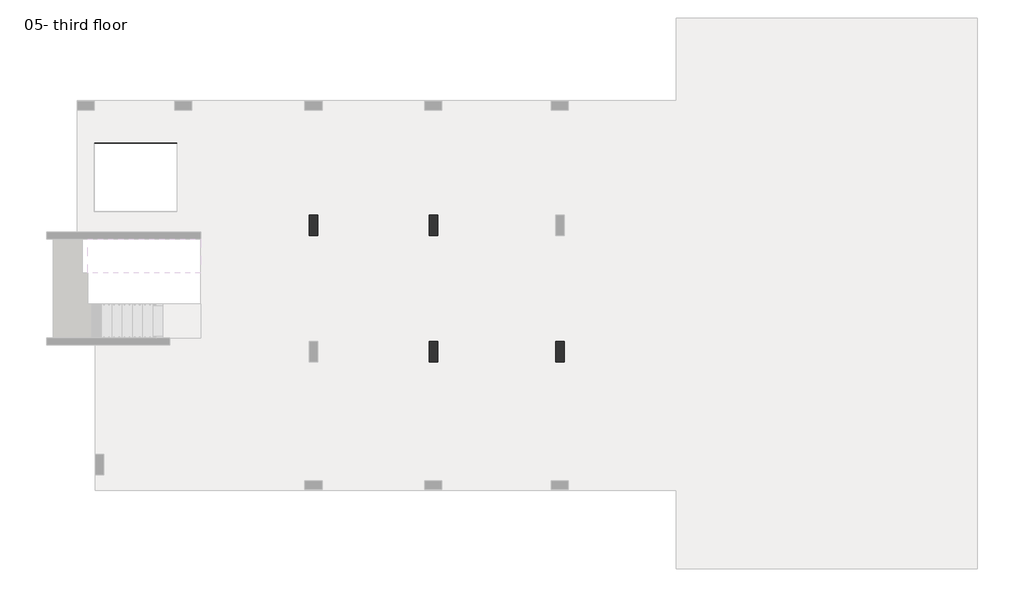
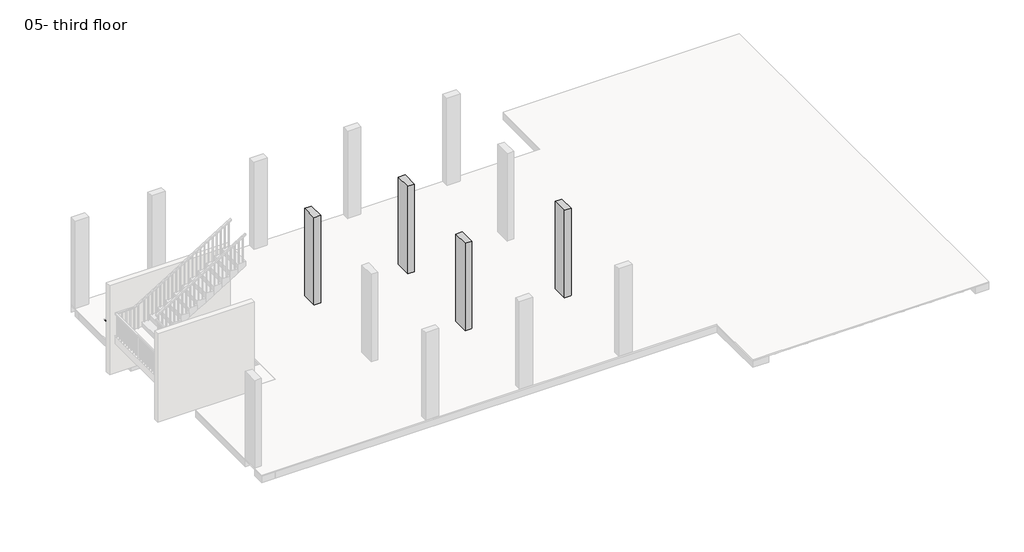
# One storey, part 2 of 5: 29 beams, 4 columns.
"""IFC4 building model written with IfcOpenShell, lengths in millimetres."""

from ifc_helpers import new_model, si_unit, frame, origin, place, context, project, spatial, polyline, outline, extrude, faceted_brep, element, save

model = new_model("IFC4")

# Units and contexts
model_context = context("Model", 3, world=origin())
ifc_project = project(units=[si_unit("LENGTHUNIT", "METRE", prefix="MILLI")], contexts=[model_context])

# Site, building, storey
site = spatial("IfcSite", under=ifc_project)
building = spatial("IfcBuilding", under=site)
storey = spatial("IfcBuildingStorey", under=building, Name="05- third floor", Elevation=10500.0)

# Beams
placement = place(None, origin())
element("IfcBeam", 1, ObjectType="B 150 x 250 mm", at=placement, inside=storey, context=model_context, shape_type="SweptSolid", body=[
    extrude(outline(polyline([(14525.0390798, -3896.893934), (14675.0390798, -3896.893934), (14675.0390798, -6796.8939341), (14525.0390798, -6796.8939341), (14525.0390798, -3896.893934)])), frame((0.0, 0.0, 10200.0), z_axis=(0.0, 0.0, 1.0), x_axis=(1.0, 0.0, 0.0)), (0.0, 0.0, 1.0), 250.0),
])
element("IfcBeam", 2, ObjectType="B 150 x 250 mm", at=placement, inside=storey, context=model_context, shape_type="SweptSolid", body=[
    extrude(outline(polyline([(15075.0390798, -3896.893934), (15225.0390798, -3896.893934), (15225.0390798, -6796.8939341), (15075.0390798, -6796.8939341), (15075.0390798, -3896.893934)])), frame((0.0, 0.0, 10200.0), z_axis=(0.0, 0.0, 1.0), x_axis=(1.0, 0.0, 0.0)), (0.0, 0.0, 1.0), 250.0),
])
element("IfcBeam", 3, ObjectType="B 150 x 250 mm", at=placement, inside=storey, context=model_context, shape_type="SweptSolid", body=[
    extrude(outline(polyline([(15625.0390798, -3896.893934), (15775.0390798, -3896.893934), (15775.0390798, -6796.8939341), (15625.0390798, -6796.8939341), (15625.0390798, -3896.893934)])), frame((0.0, 0.0, 10200.0), z_axis=(0.0, 0.0, 1.0), x_axis=(1.0, 0.0, 0.0)), (0.0, 0.0, 1.0), 250.0),
])
element("IfcBeam", 4, ObjectType="B 150 x 250 mm", at=placement, inside=storey, context=model_context, shape_type="SweptSolid", body=[
    extrude(outline(polyline([(10825.0390798, -346.893934), (10975.0390798, -346.893934), (10975.0390798, -3096.893934), (10825.0390798, -3096.893934), (10825.0390798, -346.893934)])), frame((0.0, 0.0, 10200.0), z_axis=(0.0, 0.0, 1.0), x_axis=(1.0, 0.0, 0.0)), (0.0, 0.0, 1.0), 250.0),
])
element("IfcBeam", 5, ObjectType="B 150 x 250 mm", at=placement, inside=storey, context=model_context, shape_type="SweptSolid", body=[
    extrude(outline(polyline([(11375.0390798, -346.893934), (11525.0390798, -346.893934), (11525.0390798, -3096.893934), (11375.0390798, -3096.893934), (11375.0390798, -346.893934)])), frame((0.0, 0.0, 10200.0), z_axis=(0.0, 0.0, 1.0), x_axis=(1.0, 0.0, 0.0)), (0.0, 0.0, 1.0), 250.0),
])
element("IfcBeam", 6, ObjectType="B 150 x 250 mm", at=placement, inside=storey, context=model_context, shape_type="SweptSolid", body=[
    extrude(outline(polyline([(10825.0390798, -3896.893934), (10975.0390798, -3896.893934), (10975.0390798, -6796.8939341), (10825.0390798, -6796.8939341), (10825.0390798, -3896.893934)])), frame((0.0, 0.0, 10200.0), z_axis=(0.0, 0.0, 1.0), x_axis=(1.0, 0.0, 0.0)), (0.0, 0.0, 1.0), 250.0),
])
element("IfcBeam", 7, ObjectType="B 150 x 250 mm", at=placement, inside=storey, context=model_context, shape_type="SweptSolid", body=[
    extrude(outline(polyline([(11375.0390798, -3896.893934), (11525.0390798, -3896.893934), (11525.0390798, -6796.8939341), (11375.0390798, -6796.8939341), (11375.0390798, -3896.893934)])), frame((0.0, 0.0, 10200.0), z_axis=(0.0, 0.0, 1.0), x_axis=(1.0, 0.0, 0.0)), (0.0, 0.0, 1.0), 250.0),
])
element("IfcBeam", 8, ObjectType="B 150 x 250 mm", at=placement, inside=storey, context=model_context, shape_type="SweptSolid", body=[
    extrude(outline(polyline([(11925.0390798, -3896.893934), (12075.0390798, -3896.893934), (12075.0390798, -6796.8939341), (11925.0390798, -6796.8939341), (11925.0390798, -3896.893934)])), frame((0.0, 0.0, 10200.0), z_axis=(0.0, 0.0, 1.0), x_axis=(1.0, 0.0, 0.0)), (0.0, 0.0, 1.0), 250.0),
])
element("IfcBeam", 9, ObjectType="B 150 x 250 mm", at=placement, inside=storey, context=model_context, shape_type="SweptSolid", body=[
    extrude(outline(polyline([(12475.0390798, -3896.893934), (12625.0390798, -3896.893934), (12625.0390798, -6796.8939341), (12475.0390798, -6796.8939341), (12475.0390798, -3896.893934)])), frame((0.0, 0.0, 10200.0), z_axis=(0.0, 0.0, 1.0), x_axis=(1.0, 0.0, 0.0)), (0.0, 0.0, 1.0), 250.0),
])
element("IfcBeam", 10, ObjectType="B 150 x 250 mm", at=placement, inside=storey, context=model_context, shape_type="SweptSolid", body=[
    extrude(outline(polyline([(13025.0390798, -3896.893934), (13175.0390798, -3896.893934), (13175.0390798, -6796.8939341), (13025.0390798, -6796.8939341), (13025.0390798, -3896.893934)])), frame((0.0, 0.0, 10200.0), z_axis=(0.0, 0.0, 1.0), x_axis=(1.0, 0.0, 0.0)), (0.0, 0.0, 1.0), 250.0),
])
element("IfcBeam", 11, ObjectType="B 150 x 250 mm", at=placement, inside=storey, context=model_context, shape_type="SweptSolid", body=[
    extrude(outline(polyline([(8325.0390798, -3896.893934), (8475.0390798, -3896.893934), (8475.0390798, -6796.8939341), (8325.0390798, -6796.8939341), (8325.0390798, -3896.893934)])), frame((0.0, 0.0, 10200.0), z_axis=(0.0, 0.0, 1.0), x_axis=(1.0, 0.0, 0.0)), (0.0, 0.0, 1.0), 250.0),
])
element("IfcBeam", 12, ObjectType="B 150 x 250 mm", at=placement, inside=storey, context=model_context, shape_type="SweptSolid", body=[
    extrude(outline(polyline([(8875.0390798, -3896.893934), (9025.0390798, -3896.893934), (9025.0390798, -6796.8939341), (8875.0390798, -6796.8939341), (8875.0390798, -3896.893934)])), frame((0.0, 0.0, 10200.0), z_axis=(0.0, 0.0, 1.0), x_axis=(1.0, 0.0, 0.0)), (0.0, 0.0, 1.0), 250.0),
])
element("IfcBeam", 13, ObjectType="B 150 x 250 mm", at=placement, inside=storey, context=model_context, shape_type="SweptSolid", body=[
    extrude(outline(polyline([(9425.0390798, -3896.893934), (9575.0390798, -3896.893934), (9575.0390798, -6796.8939341), (9425.0390798, -6796.8939341), (9425.0390798, -3896.893934)])), frame((0.0, 0.0, 10200.0), z_axis=(0.0, 0.0, 1.0), x_axis=(1.0, 0.0, 0.0)), (0.0, 0.0, 1.0), 250.0),
])
element("IfcBeam", 14, ObjectType="B 150 x 250 mm", at=placement, inside=storey, context=model_context, shape_type="SweptSolid", body=[
    extrude(outline(polyline([(7225.0390798, -346.893934), (7375.0390798, -346.893934), (7375.0390798, -3096.893934), (7225.0390798, -3096.893934), (7225.0390798, -346.893934)])), frame((0.0, 0.0, 10200.0), z_axis=(0.0, 0.0, 1.0), x_axis=(1.0, 0.0, 0.0)), (0.0, 0.0, 1.0), 250.0),
])
element("IfcBeam", 15, ObjectType="B 150 x 250 mm", at=placement, inside=storey, context=model_context, shape_type="SweptSolid", body=[
    extrude(outline(polyline([(7775.0390798, -346.893934), (7925.0390798, -346.893934), (7925.0390798, -3096.893934), (7775.0390798, -3096.893934), (7775.0390798, -346.893934)])), frame((0.0, 0.0, 10200.0), z_axis=(0.0, 0.0, 1.0), x_axis=(1.0, 0.0, 0.0)), (0.0, 0.0, 1.0), 250.0),
])
element("IfcBeam", 16, ObjectType="B 150 x 250 mm", at=placement, inside=storey, context=model_context, shape_type="SweptSolid", body=[
    extrude(outline(polyline([(8325.0390798, -346.893934), (8475.0390798, -346.893934), (8475.0390798, -3096.893934), (8325.0390798, -3096.893934), (8325.0390798, -346.893934)])), frame((0.0, 0.0, 10200.0), z_axis=(0.0, 0.0, 1.0), x_axis=(1.0, 0.0, 0.0)), (0.0, 0.0, 1.0), 250.0),
])
element("IfcBeam", 17, ObjectType="B 150 x 250 mm", at=placement, inside=storey, context=model_context, shape_type="SweptSolid", body=[
    extrude(outline(polyline([(8875.0390798, -346.893934), (9025.0390798, -346.893934), (9025.0390798, -3096.893934), (8875.0390798, -3096.893934), (8875.0390798, -346.893934)])), frame((0.0, 0.0, 10200.0), z_axis=(0.0, 0.0, 1.0), x_axis=(1.0, 0.0, 0.0)), (0.0, 0.0, 1.0), 250.0),
])
element("IfcBeam", 18, ObjectType="B 150 x 250 mm", at=placement, inside=storey, context=model_context, shape_type="SweptSolid", body=[
    extrude(outline(polyline([(9425.0390798, -346.893934), (9575.0390798, -346.893934), (9575.0390798, -3096.893934), (9425.0390798, -3096.893934), (9425.0390798, -346.893934)])), frame((0.0, 0.0, 10200.0), z_axis=(0.0, 0.0, 1.0), x_axis=(1.0, 0.0, 0.0)), (0.0, 0.0, 1.0), 250.0),
])
element("IfcBeam", 19, ObjectType="B 150 x 250 mm", at=placement, inside=storey, context=model_context, shape_type="Brep", body=[
    faceted_brep([(2664.8770182, -346.893934, 10450.0), (2814.8770182, -346.893934, 10450.0), (2814.8770182, -346.893934, 10200.0), (2664.8770182, -346.893934, 10200.0), (2664.8770182, -946.893934, 10450.0), (2664.8770182, -1096.893934, 10450.0), (2664.8770182, -3096.893934, 10450.0), (2814.8770182, -3096.893934, 10450.0), (2814.8770182, -3096.893934, 10200.0), (2664.8770182, -3096.893934, 10200.0), (2664.8770182, -1096.893934, 10200.0), (2664.8770182, -946.893934, 10200.0)], [[[0, 1, 2, 3]], [[1, 0, 4, 5, 6, 7]], [[2, 1, 7, 8]], [[3, 2, 8, 9, 10, 11]], [[0, 3, 11, 10, 9, 6, 5, 4]], [[7, 6, 9, 8]]]),
])
element("IfcBeam", 20, ObjectType="B 150 x 250 mm", at=placement, inside=storey, context=model_context, shape_type="SweptSolid", body=[
    extrude(outline(polyline([(3225.0195399, -346.893934), (3375.0195399, -346.893934), (3375.0195399, -3096.893934), (3225.0195399, -3096.893934), (3225.0195399, -346.893934)])), frame((0.0, 0.0, 10200.0), z_axis=(0.0, 0.0, 1.0), x_axis=(1.0, 0.0, 0.0)), (0.0, 0.0, 1.0), 250.0),
])
element("IfcBeam", 21, ObjectType="B 150 x 250 mm", at=placement, inside=storey, context=model_context, shape_type="SweptSolid", body=[
    extrude(outline(polyline([(3775.0195399, -346.893934), (3925.0195399, -346.893934), (3925.0195399, -3096.893934), (3775.0195399, -3096.893934), (3775.0195399, -346.893934)])), frame((0.0, 0.0, 10200.0), z_axis=(0.0, 0.0, 1.0), x_axis=(1.0, 0.0, 0.0)), (0.0, 0.0, 1.0), 250.0),
])
element("IfcBeam", 22, ObjectType="B 150 x 250 mm", at=placement, inside=storey, context=model_context, shape_type="SweptSolid", body=[
    extrude(outline(polyline([(4325.0195399, -346.893934), (4475.0195399, -346.893934), (4475.0195399, -3096.893934), (4325.0195399, -3096.893934), (4325.0195399, -346.893934)])), frame((0.0, 0.0, 10200.0), z_axis=(0.0, 0.0, 1.0), x_axis=(1.0, 0.0, 0.0)), (0.0, 0.0, 1.0), 250.0),
])
element("IfcBeam", 23, ObjectType="B 150 x 250 mm", at=placement, inside=storey, context=model_context, shape_type="SweptSolid", body=[
    extrude(outline(polyline([(4875.0195399, -346.893934), (5025.0195399, -346.893934), (5025.0195399, -3096.893934), (4875.0195399, -3096.893934), (4875.0195399, -346.893934)])), frame((0.0, 0.0, 10200.0), z_axis=(0.0, 0.0, 1.0), x_axis=(1.0, 0.0, 0.0)), (0.0, 0.0, 1.0), 250.0),
])
element("IfcBeam", 24, ObjectType="B 150 x 250 mm", at=placement, inside=storey, context=model_context, shape_type="SweptSolid", body=[
    extrude(outline(polyline([(5425.0195399, -346.893934), (5575.0195399, -346.893934), (5575.0195399, -3096.893934), (5425.0195399, -3096.893934), (5425.0195399, -346.893934)])), frame((0.0, 0.0, 10200.0), z_axis=(0.0, 0.0, 1.0), x_axis=(1.0, 0.0, 0.0)), (0.0, 0.0, 1.0), 250.0),
])
element("IfcBeam", 25, ObjectType="B 150 x 250 mm", at=placement, inside=storey, context=model_context, shape_type="SweptSolid", body=[
    extrude(outline(polyline([(5975.0195399, -346.893934), (6125.0195399, -346.893934), (6125.0195399, -3096.893934), (5975.0195399, -3096.893934), (5975.0195399, -346.893934)])), frame((0.0, 0.0, 10200.0), z_axis=(0.0, 0.0, 1.0), x_axis=(1.0, 0.0, 0.0)), (0.0, 0.0, 1.0), 250.0),
])
element("IfcBeam", 26, ObjectType="B 150 x 250 mm", at=placement, inside=storey, context=model_context, shape_type="Brep", body=[
    faceted_brep([(250.0, -946.893934, 10450.0), (250.0, -946.893934, 10200.0), (250.0, -1096.893934, 10200.0), (250.0, -1096.893934, 10450.0), (2650.0, -1096.893934, 10450.0), (2664.8770182, -1096.893934, 10450.0), (2664.8770182, -946.893934, 10450.0), (2664.8770182, -1096.893934, 10200.0), (2664.8770182, -946.893934, 10200.0)], [[[0, 1, 2, 3]], [[0, 3, 4, 5, 6]], [[3, 2, 7, 5, 4]], [[2, 1, 8, 7]], [[1, 0, 6, 8]], [[6, 5, 7, 8]]]),
])
element("IfcBeam", 27, ObjectType="B4 800 x 250 mm", at=placement, inside=storey, context=model_context, shape_type="Brep", body=[
    faceted_brep([(25550.0000727, -7596.8939341, 10450.0), (25550.0000727, -7596.8939341, 10200.0), (25550.0000727, -6796.8939341, 10200.0), (25550.0000727, -6796.8939341, 10450.0), (25275.0195763, -6796.8939341, 10450.0), (25125.0195763, -6796.8939341, 10450.0), (24725.0195763, -6796.8939341, 10450.0), (24575.0195763, -6796.8939341, 10450.0), (24175.0195763, -6796.8939341, 10450.0), (24025.0195763, -6796.8939341, 10450.0), (23625.0195763, -6796.8939341, 10450.0), (23475.0195763, -6796.8939341, 10450.0), (23075.0195763, -6796.8939341, 10450.0), (22925.0195763, -6796.8939341, 10450.0), (22525.0195763, -6796.8939341, 10450.0), (22375.0195763, -6796.8939341, 10450.0), (21975.0195763, -6796.8939341, 10450.0), (21825.0195763, -6796.8939341, 10450.0), (21550.0390798, -6796.8939341, 10450.0), (20950.0390798, -6796.8939341, 10450.0), (20575.0390798, -6796.8939341, 10450.0), (20425.0390798, -6796.8939341, 10450.0), (20025.0390798, -6796.8939341, 10450.0), (19875.0390798, -6796.8939341, 10450.0), (19475.0390798, -6796.8939341, 10450.0), (19325.0390798, -6796.8939341, 10450.0), (18925.0390798, -6796.8939341, 10450.0), (18775.0390798, -6796.8939341, 10450.0), (18375.0390798, -6796.8939341, 10450.0), (18225.0390798, -6796.8939341, 10450.0), (17850.0390798, -6796.8939341, 10450.0), (17250.0390798, -6796.8939341, 10450.0), (16875.0390798, -6796.8939341, 10450.0), (16725.0390798, -6796.8939341, 10450.0), (16325.0390798, -6796.8939341, 10450.0), (16175.0390798, -6796.8939341, 10450.0), (15775.0390798, -6796.8939341, 10450.0), (15625.0390798, -6796.8939341, 10450.0), (15225.0390798, -6796.8939341, 10450.0), (15075.0390798, -6796.8939341, 10450.0), (14675.0390798, -6796.8939341, 10450.0), (14525.0390798, -6796.8939341, 10450.0), (14150.0390798, -6796.8939341, 10450.0), (13550.0390798, -6796.8939341, 10450.0), (13175.0390798, -6796.8939341, 10450.0), (13025.0390798, -6796.8939341, 10450.0), (12625.0390798, -6796.8939341, 10450.0), (12475.0390798, -6796.8939341, 10450.0), (12075.0390798, -6796.8939341, 10450.0), (11925.0390798, -6796.8939341, 10450.0), (11525.0390798, -6796.8939341, 10450.0), (11375.0390798, -6796.8939341, 10450.0), (10975.0390798, -6796.8939341, 10450.0), (10825.0390798, -6796.8939341, 10450.0), (10450.0390798, -6796.8939341, 10450.0), (9850.0390798, -6796.8939341, 10450.0), (9575.0390798, -6796.8939341, 10450.0), (9425.0390798, -6796.8939341, 10450.0), (9025.0390798, -6796.8939341, 10450.0), (8875.0390798, -6796.8939341, 10450.0), (8475.0390798, -6796.8939341, 10450.0), (8325.0390798, -6796.8939341, 10450.0), (7925.0390798, -6796.8939341, 10450.0), (7775.0390798, -6796.8939341, 10450.0), (7375.0390798, -6796.8939341, 10450.0), (7225.0390798, -6796.8939341, 10450.0), (6950.0390798, -6796.8939341, 10450.0), (6350.0390798, -6796.8939341, 10450.0), (6275.0195399, -6796.8939341, 10450.0), (6125.0195399, -6796.8939341, 10450.0), (5725.0195399, -6796.8939341, 10450.0), (5575.0195399, -6796.8939341, 10450.0), (5175.0195399, -6796.8939341, 10450.0), (5025.0195399, -6796.8939341, 10450.0), (4625.0195399, -6796.8939341, 10450.0), (4475.0195399, -6796.8939341, 10450.0), (4075.0195399, -6796.8939341, 10450.0), (3925.0195399, -6796.8939341, 10450.0), (3850.0, -6796.8939341, 10450.0), (3350.0, -6796.8939341, 10450.0), (2450.0, -6796.8939341, 10450.0), (2450.0, -6996.8939341, 10450.0), (777.7588387, -6996.8939341, 10450.0), (777.7588387, -7596.8939341, 10450.0), (888.8989593, -7596.8939341, 10450.0), (1288.8989593, -7596.8939341, 10450.0), (1438.8989593, -7596.8939341, 10450.0), (1838.8989593, -7596.8939341, 10450.0), (1988.8989593, -7596.8939341, 10450.0), (2388.8989593, -7596.8939341, 10450.0), (2538.8989593, -7596.8939341, 10450.0), (2938.8989593, -7596.8939341, 10450.0), (3088.8989593, -7596.8939341, 10450.0), (3488.8989593, -7596.8939341, 10450.0), (3638.8989593, -7596.8939341, 10450.0), (4038.8989593, -7596.8939341, 10450.0), (4188.8989593, -7596.8939341, 10450.0), (4588.8989593, -7596.8939341, 10450.0), (4738.8989593, -7596.8939341, 10450.0), (5138.8989593, -7596.8939341, 10450.0), (5288.8989593, -7596.8939341, 10450.0), (5688.8989593, -7596.8939341, 10450.0), (5838.8989593, -7596.8939341, 10450.0), (6238.8989593, -7596.8939341, 10450.0), (6350.0390798, -7596.8939341, 10450.0), (6950.0390798, -7596.8939341, 10450.0), (7225.0390798, -7596.8939341, 10450.0), (7375.0390798, -7596.8939341, 10450.0), (7775.0390798, -7596.8939341, 10450.0), (7925.0390798, -7596.8939341, 10450.0), (8325.0390798, -7596.8939341, 10450.0), (8475.0390798, -7596.8939341, 10450.0), (8875.0390798, -7596.8939341, 10450.0), (9025.0390798, -7596.8939341, 10450.0), (9425.0390798, -7596.8939341, 10450.0), (9575.0390798, -7596.8939341, 10450.0), (9850.0390798, -7596.8939341, 10450.0), (10450.0390798, -7596.8939341, 10450.0), (10825.0390798, -7596.8939341, 10450.0), (10975.0390798, -7596.8939341, 10450.0), (11375.0390798, -7596.8939341, 10450.0), (11525.0390798, -7596.8939341, 10450.0), (11925.0390798, -7596.8939341, 10450.0), (12075.0390798, -7596.8939341, 10450.0), (12475.0390798, -7596.8939341, 10450.0), (12625.0390798, -7596.8939341, 10450.0), (13025.0390798, -7596.8939341, 10450.0), (13175.0390798, -7596.8939341, 10450.0), (13550.0390798, -7596.8939341, 10450.0), (14150.0390798, -7596.8939341, 10450.0), (14525.0390798, -7596.8939341, 10450.0), (14675.0390798, -7596.8939341, 10450.0), (15075.0390798, -7596.8939341, 10450.0), (15225.0390798, -7596.8939341, 10450.0), (15625.0390798, -7596.8939341, 10450.0), (15775.0390798, -7596.8939341, 10450.0), (16175.0390798, -7596.8939341, 10450.0), (16325.0390798, -7596.8939341, 10450.0), (16725.0390798, -7596.8939341, 10450.0), (16875.0390798, -7596.8939341, 10450.0), (17250.0390798, -7596.8939341, 10450.0), (17850.0390798, -7596.8939341, 10450.0), (18225.0390798, -7596.8939341, 10450.0), (18375.0390798, -7596.8939341, 10450.0), (18775.0390798, -7596.8939341, 10450.0), (18925.0390798, -7596.8939341, 10450.0), (19325.0390798, -7596.8939341, 10450.0), (19475.0390798, -7596.8939341, 10450.0), (19875.0390798, -7596.8939341, 10450.0), (20025.0390798, -7596.8939341, 10450.0), (20425.0390798, -7596.8939341, 10450.0), (20575.0390798, -7596.8939341, 10450.0), (20950.0390798, -7596.8939341, 10450.0), (21550.0390798, -7596.8939341, 10450.0), (21825.0195763, -7596.8939341, 10450.0), (21975.0195763, -7596.8939341, 10450.0), (22375.0195763, -7596.8939341, 10450.0), (22525.0195763, -7596.8939341, 10450.0), (22925.0195763, -7596.8939341, 10450.0), (23075.0195763, -7596.8939341, 10450.0), (23475.0195763, -7596.8939341, 10450.0), (23625.0195763, -7596.8939341, 10450.0), (24025.0195763, -7596.8939341, 10450.0), (24175.0195763, -7596.8939341, 10450.0), (24575.0195763, -7596.8939341, 10450.0), (24725.0195763, -7596.8939341, 10450.0), (25125.0195763, -7596.8939341, 10450.0), (25275.0195763, -7596.8939341, 10450.0), (24735.2850434, -6896.8939341, 10450.0), (24985.2850434, -6896.8939341, 10450.0), (24985.2850434, -7496.8939341, 10450.0), (24735.2850434, -7496.8939341, 10450.0), (21125.0390798, -6896.8939341, 10450.0), (21375.0390798, -6896.8939341, 10450.0), (21375.0390798, -7496.8939341, 10450.0), (21125.0390798, -7496.8939341, 10450.0), (17425.0390798, -6896.8939341, 10450.0), (17675.0390798, -6896.8939341, 10450.0), (17675.0390798, -7496.8939341, 10450.0), (17425.0390798, -7496.8939341, 10450.0), (13725.0390798, -6896.8939341, 10450.0), (13975.0390798, -6896.8939341, 10450.0), (13975.0390798, -7496.8939341, 10450.0), (13725.0390798, -7496.8939341, 10450.0), (10025.0390798, -6896.8939341, 10450.0), (10275.0390798, -6896.8939341, 10450.0), (10275.0390798, -7496.8939341, 10450.0), (10025.0390798, -7496.8939341, 10450.0), (6525.0390798, -6896.8939341, 10450.0), (6775.0390798, -6896.8939341, 10450.0), (6775.0390798, -7496.8939341, 10450.0), (6525.0390798, -7496.8939341, 10450.0), (25275.0195763, -6796.8939341, 10200.0), (25125.0195763, -6796.8939341, 10200.0), (24725.0195763, -6796.8939341, 10200.0), (24575.0195763, -6796.8939341, 10200.0), (24175.0195763, -6796.8939341, 10200.0), (24025.0195763, -6796.8939341, 10200.0), (23625.0195763, -6796.8939341, 10200.0), (23475.0195763, -6796.8939341, 10200.0), (23075.0195763, -6796.8939341, 10200.0), (22925.0195763, -6796.8939341, 10200.0), (22525.0195763, -6796.8939341, 10200.0), (22375.0195763, -6796.8939341, 10200.0), (21975.0195763, -6796.8939341, 10200.0), (21825.0195763, -6796.8939341, 10200.0), (21550.0390798, -6796.8939341, 10200.0), (20950.0390798, -6796.8939341, 10200.0), (20575.0390798, -6796.8939341, 10200.0), (20425.0390798, -6796.8939341, 10200.0), (20025.0390798, -6796.8939341, 10200.0), (19875.0390798, -6796.8939341, 10200.0), (19475.0390798, -6796.8939341, 10200.0), (19325.0390798, -6796.8939341, 10200.0), (18925.0390798, -6796.8939341, 10200.0), (18775.0390798, -6796.8939341, 10200.0), (18375.0390798, -6796.8939341, 10200.0), (18225.0390798, -6796.8939341, 10200.0), (17850.0390798, -6796.8939341, 10200.0), (17250.0390798, -6796.8939341, 10200.0), (16875.0390798, -6796.8939341, 10200.0), (16725.0390798, -6796.8939341, 10200.0), (16325.0390798, -6796.8939341, 10200.0), (16175.0390798, -6796.8939341, 10200.0), (15775.0390798, -6796.8939341, 10200.0), (15625.0390798, -6796.8939341, 10200.0), (15225.0390798, -6796.8939341, 10200.0), (15075.0390798, -6796.8939341, 10200.0), (14675.0390798, -6796.8939341, 10200.0), (14525.0390798, -6796.8939341, 10200.0), (14150.0390798, -6796.8939341, 10200.0), (13550.0390798, -6796.8939341, 10200.0), (13175.0390798, -6796.8939341, 10200.0), (13025.0390798, -6796.8939341, 10200.0), (12625.0390798, -6796.8939341, 10200.0), (12475.0390798, -6796.8939341, 10200.0), (12075.0390798, -6796.8939341, 10200.0), (11925.0390798, -6796.8939341, 10200.0), (11525.0390798, -6796.8939341, 10200.0), (11375.0390798, -6796.8939341, 10200.0), (10975.0390798, -6796.8939341, 10200.0), (10825.0390798, -6796.8939341, 10200.0), (10450.0390798, -6796.8939341, 10200.0), (9850.0390798, -6796.8939341, 10200.0), (9575.0390798, -6796.8939341, 10200.0), (9425.0390798, -6796.8939341, 10200.0), (9025.0390798, -6796.8939341, 10200.0), (8875.0390798, -6796.8939341, 10200.0), (8475.0390798, -6796.8939341, 10200.0), (8325.0390798, -6796.8939341, 10200.0), (7925.0390798, -6796.8939341, 10200.0), (7775.0390798, -6796.8939341, 10200.0), (7375.0390798, -6796.8939341, 10200.0), (7225.0390798, -6796.8939341, 10200.0), (6950.0390798, -6796.8939341, 10200.0), (6350.0390798, -6796.8939341, 10200.0), (6275.0195399, -6796.8939341, 10200.0), (6125.0195399, -6796.8939341, 10200.0), (5725.0195399, -6796.8939341, 10200.0), (5575.0195399, -6796.8939341, 10200.0), (5175.0195399, -6796.8939341, 10200.0), (5025.0195399, -6796.8939341, 10200.0), (4625.0195399, -6796.8939341, 10200.0), (4475.0195399, -6796.8939341, 10200.0), (4075.0195399, -6796.8939341, 10200.0), (3925.0195399, -6796.8939341, 10200.0), (3850.0, -6796.8939341, 10200.0), (3350.0, -6796.8939341, 10200.0), (2450.0, -6796.8939341, 10200.0), (25275.0195763, -7596.8939341, 10200.0), (25125.0195763, -7596.8939341, 10200.0), (24725.0195763, -7596.8939341, 10200.0), (24575.0195763, -7596.8939341, 10200.0), (24175.0195763, -7596.8939341, 10200.0), (24025.0195763, -7596.8939341, 10200.0), (23625.0195763, -7596.8939341, 10200.0), (23475.0195763, -7596.8939341, 10200.0), (23075.0195763, -7596.8939341, 10200.0), (22925.0195763, -7596.8939341, 10200.0), (22525.0195763, -7596.8939341, 10200.0), (22375.0195763, -7596.8939341, 10200.0), (21975.0195763, -7596.8939341, 10200.0), (21825.0195763, -7596.8939341, 10200.0), (21550.0390798, -7596.8939341, 10200.0), (20950.0390798, -7596.8939341, 10200.0), (20575.0390798, -7596.8939341, 10200.0), (20425.0390798, -7596.8939341, 10200.0), (20025.0390798, -7596.8939341, 10200.0), (19875.0390798, -7596.8939341, 10200.0), (19475.0390798, -7596.8939341, 10200.0), (19325.0390798, -7596.8939341, 10200.0), (18925.0390798, -7596.8939341, 10200.0), (18775.0390798, -7596.8939341, 10200.0), (18375.0390798, -7596.8939341, 10200.0), (18225.0390798, -7596.8939341, 10200.0), (17850.0390798, -7596.8939341, 10200.0), (17250.0390798, -7596.8939341, 10200.0), (16875.0390798, -7596.8939341, 10200.0), (16725.0390798, -7596.8939341, 10200.0), (16325.0390798, -7596.8939341, 10200.0), (16175.0390798, -7596.8939341, 10200.0), (15775.0390798, -7596.8939341, 10200.0), (15625.0390798, -7596.8939341, 10200.0), (15225.0390798, -7596.8939341, 10200.0), (15075.0390798, -7596.8939341, 10200.0), (14675.0390798, -7596.8939341, 10200.0), (14525.0390798, -7596.8939341, 10200.0), (14150.0390798, -7596.8939341, 10200.0), (13550.0390798, -7596.8939341, 10200.0), (13175.0390798, -7596.8939341, 10200.0), (13025.0390798, -7596.8939341, 10200.0), (12625.0390798, -7596.8939341, 10200.0), (12475.0390798, -7596.8939341, 10200.0), (12075.0390798, -7596.8939341, 10200.0), (11925.0390798, -7596.8939341, 10200.0), (11525.0390798, -7596.8939341, 10200.0), (11375.0390798, -7596.8939341, 10200.0), (10975.0390798, -7596.8939341, 10200.0), (10825.0390798, -7596.8939341, 10200.0), (10450.0390798, -7596.8939341, 10200.0), (9850.0390798, -7596.8939341, 10200.0), (9575.0390798, -7596.8939341, 10200.0), (9425.0390798, -7596.8939341, 10200.0), (9025.0390798, -7596.8939341, 10200.0), (8875.0390798, -7596.8939341, 10200.0), (8475.0390798, -7596.8939341, 10200.0), (8325.0390798, -7596.8939341, 10200.0), (7925.0390798, -7596.8939341, 10200.0), (7775.0390798, -7596.8939341, 10200.0), (7375.0390798, -7596.8939341, 10200.0), (7225.0390798, -7596.8939341, 10200.0), (6950.0390798, -7596.8939341, 10200.0), (6350.0390798, -7596.8939341, 10200.0), (6238.8989593, -7596.8939341, 10200.0), (5838.8989593, -7596.8939341, 10200.0), (5688.8989593, -7596.8939341, 10200.0), (5288.8989593, -7596.8939341, 10200.0), (5138.8989593, -7596.8939341, 10200.0), (4738.8989593, -7596.8939341, 10200.0), (4588.8989593, -7596.8939341, 10200.0), (4188.8989593, -7596.8939341, 10200.0), (4038.8989593, -7596.8939341, 10200.0), (3638.8989593, -7596.8939341, 10200.0), (3488.8989593, -7596.8939341, 10200.0), (3088.8989593, -7596.8939341, 10200.0), (2938.8989593, -7596.8939341, 10200.0), (2538.8989593, -7596.8939341, 10200.0), (2388.8989593, -7596.8939341, 10200.0), (1988.8989593, -7596.8939341, 10200.0), (1838.8989593, -7596.8939341, 10200.0), (1438.8989593, -7596.8939341, 10200.0), (1288.8989593, -7596.8939341, 10200.0), (888.8989593, -7596.8939341, 10200.0), (777.7588387, -7596.8939341, 10200.0), (777.7588387, -6996.8939341, 10200.0), (2450.0, -6996.8939341, 10200.0), (24985.2850434, -6896.8939341, 10200.0), (24735.2850434, -6896.8939341, 10200.0), (24735.2850434, -7496.8939341, 10200.0), (24985.2850434, -7496.8939341, 10200.0), (21375.0390798, -6896.8939341, 10200.0), (21125.0390798, -6896.8939341, 10200.0), (21125.0390798, -7496.8939341, 10200.0), (21375.0390798, -7496.8939341, 10200.0), (17675.0390798, -6896.8939341, 10200.0), (17425.0390798, -6896.8939341, 10200.0), (17425.0390798, -7496.8939341, 10200.0), (17675.0390798, -7496.8939341, 10200.0), (13975.0390798, -6896.8939341, 10200.0), (13725.0390798, -6896.8939341, 10200.0), (13725.0390798, -7496.8939341, 10200.0), (13975.0390798, -7496.8939341, 10200.0), (10275.0390798, -6896.8939341, 10200.0), (10025.0390798, -6896.8939341, 10200.0), (10025.0390798, -7496.8939341, 10200.0), (10275.0390798, -7496.8939341, 10200.0), (6775.0390798, -6896.8939341, 10200.0), (6525.0390798, -6896.8939341, 10200.0), (6525.0390798, -7496.8939341, 10200.0), (6775.0390798, -7496.8939341, 10200.0)], [[[0, 1, 2, 3]], [[0, 3, 4, 5, 6, 7, 8, 9, 10, 11, 12, 13, 14, 15, 16, 17, 18, 19, 20, 21, 22, 23, 24, 25, 26, 27, 28, 29, 30, 31, 32, 33, 34, 35, 36, 37, 38, 39, 40, 41, 42, 43, 44, 45, 46, 47, 48, 49, 50, 51, 52, 53, 54, 55, 56, 57, 58, 59, 60, 61, 62, 63, 64, 65, 66, 67, 68, 69, 70, 71, 72, 73, 74, 75, 76, 77, 78, 79, 80, 81, 82, 83, 84, 85, 86, 87, 88, 89, 90, 91, 92, 93, 94, 95, 96, 97, 98, 99, 100, 101, 102, 103, 104, 105, 106, 107, 108, 109, 110, 111, 112, 113, 114, 115, 116, 117, 118, 119, 120, 121, 122, 123, 124, 125, 126, 127, 128, 129, 130, 131, 132, 133, 134, 135, 136, 137, 138, 139, 140, 141, 142, 143, 144, 145, 146, 147, 148, 149, 150, 151, 152, 153, 154, 155, 156, 157, 158, 159, 160, 161, 162, 163, 164, 165, 166, 167], [168, 169, 170, 171], [172, 173, 174, 175], [176, 177, 178, 179], [180, 181, 182, 183], [184, 185, 186, 187], [188, 189, 190, 191]], [[3, 2, 192, 193, 194, 195, 196, 197, 198, 199, 200, 201, 202, 203, 204, 205, 206, 207, 208, 209, 210, 211, 212, 213, 214, 215, 216, 217, 218, 219, 220, 221, 222, 223, 224, 225, 226, 227, 228, 229, 230, 231, 232, 233, 234, 235, 236, 237, 238, 239, 240, 241, 242, 243, 244, 245, 246, 247, 248, 249, 250, 251, 252, 253, 254, 255, 256, 257, 258, 259, 260, 261, 262, 263, 264, 265, 266, 267, 268, 80, 79, 78, 77, 76, 75, 74, 73, 72, 71, 70, 69, 68, 67, 66, 65, 64, 63, 62, 61, 60, 59, 58, 57, 56, 55, 54, 53, 52, 51, 50, 49, 48, 47, 46, 45, 44, 43, 42, 41, 40, 39, 38, 37, 36, 35, 34, 33, 32, 31, 30, 29, 28, 27, 26, 25, 24, 23, 22, 21, 20, 19, 18, 17, 16, 15, 14, 13, 12, 11, 10, 9, 8, 7, 6, 5, 4]], [[2, 1, 269, 270, 271, 272, 273, 274, 275, 276, 277, 278, 279, 280, 281, 282, 283, 284, 285, 286, 287, 288, 289, 290, 291, 292, 293, 294, 295, 296, 297, 298, 299, 300, 301, 302, 303, 304, 305, 306, 307, 308, 309, 310, 311, 312, 313, 314, 315, 316, 317, 318, 319, 320, 321, 322, 323, 324, 325, 326, 327, 328, 329, 330, 331, 332, 333, 334, 335, 336, 337, 338, 339, 340, 341, 342, 343, 344, 345, 346, 347, 348, 349, 350, 351, 352, 353, 354, 355, 268, 267, 266, 265, 264, 263, 262, 261, 260, 259, 258, 257, 256, 255, 254, 253, 252, 251, 250, 249, 248, 247, 246, 245, 244, 243, 242, 241, 240, 239, 238, 237, 236, 235, 234, 233, 232, 231, 230, 229, 228, 227, 226, 225, 224, 223, 222, 221, 220, 219, 218, 217, 216, 215, 214, 213, 212, 211, 210, 209, 208, 207, 206, 205, 204, 203, 202, 201, 200, 199, 198, 197, 196, 195, 194, 193, 192], [356, 357, 358, 359], [360, 361, 362, 363], [364, 365, 366, 367], [368, 369, 370, 371], [372, 373, 374, 375], [376, 377, 378, 379]], [[1, 0, 167, 166, 165, 164, 163, 162, 161, 160, 159, 158, 157, 156, 155, 154, 153, 152, 151, 150, 149, 148, 147, 146, 145, 144, 143, 142, 141, 140, 139, 138, 137, 136, 135, 134, 133, 132, 131, 130, 129, 128, 127, 126, 125, 124, 123, 122, 121, 120, 119, 118, 117, 116, 115, 114, 113, 112, 111, 110, 109, 108, 107, 106, 105, 104, 103, 102, 101, 100, 99, 98, 97, 96, 95, 94, 93, 92, 91, 90, 89, 88, 87, 86, 85, 84, 83, 353, 352, 351, 350, 349, 348, 347, 346, 345, 344, 343, 342, 341, 340, 339, 338, 337, 336, 335, 334, 333, 332, 331, 330, 329, 328, 327, 326, 325, 324, 323, 322, 321, 320, 319, 318, 317, 316, 315, 314, 313, 312, 311, 310, 309, 308, 307, 306, 305, 304, 303, 302, 301, 300, 299, 298, 297, 296, 295, 294, 293, 292, 291, 290, 289, 288, 287, 286, 285, 284, 283, 282, 281, 280, 279, 278, 277, 276, 275, 274, 273, 272, 271, 270, 269]], [[356, 169, 168, 357]], [[170, 359, 358, 171]], [[169, 356, 359, 170]], [[171, 358, 357, 168]], [[360, 173, 172, 361]], [[174, 363, 362, 175]], [[173, 360, 363, 174]], [[175, 362, 361, 172]], [[364, 177, 176, 365]], [[178, 367, 366, 179]], [[177, 364, 367, 178]], [[179, 366, 365, 176]], [[368, 181, 180, 369]], [[182, 371, 370, 183]], [[181, 368, 371, 182]], [[183, 370, 369, 180]], [[372, 185, 184, 373]], [[186, 375, 374, 187]], [[185, 372, 375, 186]], [[187, 374, 373, 184]], [[376, 189, 188, 377]], [[190, 379, 378, 191]], [[189, 376, 379, 190]], [[191, 378, 377, 188]], [[353, 83, 82, 354]], [[81, 355, 354, 82]], [[355, 81, 80, 268]]]),
])
element("IfcBeam", 28, ObjectType="B6 600 x 250 mm", at=placement, inside=storey, context=model_context, shape_type="SweptSolid", body=[
    extrude(outline(polyline([(13550.0390798, -346.893934), (14150.0390798, -346.893934), (14150.0390798, -3096.893934), (13550.0390798, -3096.893934), (13550.0390798, -346.893934)])), frame((0.0, 0.0, 10200.0), z_axis=(0.0, 0.0, 1.0), x_axis=(1.0, 0.0, 0.0)), (0.0, 0.0, 1.0), 250.0),
    extrude(outline(polyline([(14150.0390798, -10746.893934), (13550.0390798, -10746.893934), (13550.0390798, -7596.8939341), (14150.0390798, -7596.8939341), (14150.0390798, -10746.893934)])), frame((0.0, 0.0, 10200.0), z_axis=(0.0, 0.0, 1.0), x_axis=(1.0, 0.0, 0.0)), (0.0, 0.0, 1.0), 250.0),
    extrude(outline(polyline([(14150.0390798, -6796.8939341), (13550.0390798, -6796.8939341), (13550.0390798, -3896.893934), (14150.0390798, -3896.893934), (14150.0390798, -6796.8939341)])), frame((0.0, 0.0, 10200.0), z_axis=(0.0, 0.0, 1.0), x_axis=(1.0, 0.0, 0.0)), (0.0, 0.0, 1.0), 250.0),
])
element("IfcBeam", 29, ObjectType="B6 600 x 250 mm", at=placement, inside=storey, context=model_context, shape_type="SweptSolid", body=[
    extrude(outline(polyline([(9850.0390798, -346.893934), (10450.0390798, -346.893934), (10450.0390798, -3096.893934), (9850.0390798, -3096.893934), (9850.0390798, -346.893934)])), frame((0.0, 0.0, 10200.0), z_axis=(0.0, 0.0, 1.0), x_axis=(1.0, 0.0, 0.0)), (0.0, 0.0, 1.0), 250.0),
    extrude(outline(polyline([(10450.0390798, -10746.893934), (9850.0390798, -10746.893934), (9850.0390798, -7596.8939341), (10450.0390798, -7596.8939341), (10450.0390798, -10746.893934)])), frame((0.0, 0.0, 10200.0), z_axis=(0.0, 0.0, 1.0), x_axis=(1.0, 0.0, 0.0)), (0.0, 0.0, 1.0), 250.0),
    extrude(outline(polyline([(10450.0390798, -6796.8939341), (9850.0390798, -6796.8939341), (9850.0390798, -3896.893934), (10450.0390798, -3896.893934), (10450.0390798, -6796.8939341)])), frame((0.0, 0.0, 10200.0), z_axis=(0.0, 0.0, 1.0), x_axis=(1.0, 0.0, 0.0)), (0.0, 0.0, 1.0), 250.0),
])

# Columns
element("IfcColumn", 30, ObjectType="C2 25 x 60 mm", at=placement, inside=storey, context=model_context, shape_type="Brep", body=[
    faceted_brep([(6775.0390798, -3196.893934, 10500.0), (6775.0390798, -3796.893934, 10500.0), (6525.0390798, -3796.893934, 10500.0), (6525.0390798, -3196.893934, 10500.0), (6525.0390798, -3196.893934, 13700.0), (6525.0390798, -3196.893934, 13950.0), (6775.0390798, -3196.893934, 13950.0), (6775.0390798, -3196.893934, 13700.0), (6525.0390798, -3796.893934, 13700.0), (6525.0390798, -3796.893934, 13950.0), (6775.0390798, -3796.893934, 13700.0), (6775.0390798, -3796.893934, 13950.0)], [[[0, 1, 2, 3]], [[0, 3, 4, 5, 6, 7]], [[3, 2, 8, 9, 5, 4]], [[2, 1, 10, 11, 9, 8]], [[1, 0, 7, 6, 11, 10]], [[6, 5, 9, 11]]]),
])
element("IfcColumn", 31, ObjectType="C2 25 x 60 mm", at=placement, inside=storey, context=model_context, shape_type="Brep", body=[
    faceted_brep([(10275.0390798, -3195.451857, 10500.0), (10275.0390798, -3795.451857, 10500.0), (10025.0390798, -3795.451857, 10500.0), (10025.0390798, -3195.451857, 10500.0), (10025.0390798, -3195.451857, 13700.0), (10025.0390798, -3195.451857, 13950.0), (10275.0390798, -3195.451857, 13950.0), (10275.0390798, -3195.451857, 13700.0), (10025.0390798, -3795.451857, 13700.0), (10025.0390798, -3795.451857, 13950.0), (10275.0390798, -3795.451857, 13700.0), (10275.0390798, -3795.451857, 13950.0)], [[[0, 1, 2, 3]], [[0, 3, 4, 5, 6, 7]], [[3, 2, 8, 9, 5, 4]], [[2, 1, 10, 11, 9, 8]], [[1, 0, 7, 6, 11, 10]], [[6, 5, 9, 11]]]),
])
element("IfcColumn", 32, ObjectType="C2 25 x 60 mm", at=placement, inside=storey, context=model_context, shape_type="Brep", body=[
    faceted_brep([(13975.0390798, -6896.8939341, 10500.0), (13975.0390798, -7496.8939341, 10500.0), (13725.0390798, -7496.8939341, 10500.0), (13725.0390798, -6896.8939341, 10500.0), (13725.0390798, -6896.8939341, 13700.0), (13725.0390798, -6896.8939341, 13950.0), (13975.0390798, -6896.8939341, 13950.0), (13975.0390798, -6896.8939341, 13700.0), (13725.0390798, -7496.8939341, 13700.0), (13725.0390798, -7496.8939341, 13950.0), (13975.0390798, -7496.8939341, 13700.0), (13975.0390798, -7496.8939341, 13950.0)], [[[0, 1, 2, 3]], [[0, 3, 4, 5, 6, 7]], [[3, 2, 8, 9, 5, 4]], [[2, 1, 10, 11, 9, 8]], [[1, 0, 7, 6, 11, 10]], [[6, 5, 9, 11]]]),
])
element("IfcColumn", 33, ObjectType="C2 25 x 60 mm", at=placement, inside=storey, context=model_context, shape_type="Brep", body=[
    faceted_brep([(10275.0390798, -6896.8939341, 10500.0), (10275.0390798, -7496.8939341, 10500.0), (10025.0390798, -7496.8939341, 10500.0), (10025.0390798, -6896.8939341, 10500.0), (10025.0390798, -6896.8939341, 13700.0), (10025.0390798, -6896.8939341, 13950.0), (10275.0390798, -6896.8939341, 13950.0), (10275.0390798, -6896.8939341, 13700.0), (10025.0390798, -7496.8939341, 13700.0), (10025.0390798, -7496.8939341, 13950.0), (10275.0390798, -7496.8939341, 13700.0), (10275.0390798, -7496.8939341, 13950.0)], [[[0, 1, 2, 3]], [[0, 3, 4, 5, 6, 7]], [[3, 2, 8, 9, 5, 4]], [[2, 1, 10, 11, 9, 8]], [[1, 0, 7, 6, 11, 10]], [[6, 5, 9, 11]]]),
])

save(model, "model.ifc")
